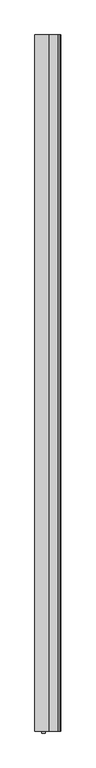
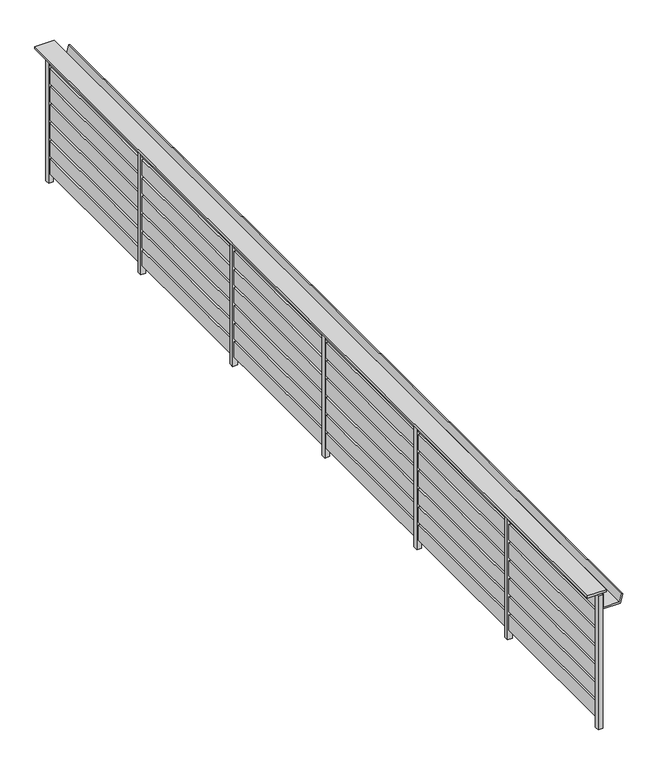
"""IFC4 building model written with IfcOpenShell, lengths in millimetres: railing geometry."""

import ifcopenshell
import ifcopenshell.guid

model = None  # the IFC model being written
_history = None  # IfcOwnerHistory: only IFC2X3 demands one
_inside = {}  # id of a spatial element -> (the spatial element, [elements in it])
_under = {}  # id of a project, library or spatial element -> (it, [spatial elements below it])
_declared = {}  # id of a project -> (the project, [libraries it declares])
_typed = {}  # id of a type object -> (the type object, [elements of that type])
_made_of = {}  # id of a material, layer set ... -> (it, [elements and type objects made of it])


def new_model(schema):
    """Start an empty IFC model of exactly this schema.

    Asked for "IFC4X3", IfcOpenShell would pick the latest addendum, in which some entities
    have other attributes; the version numbers below select the first issue.
    IFC2X3 requires an IfcOwnerHistory on every rooted entity: one is made here for all.
    """
    global model, _history
    if schema == "IFC4X3":
        model = ifcopenshell.file(schema_version=(4, 3, 0, 0))
    else:
        model = ifcopenshell.file(schema=schema)
    _inside.clear()
    _under.clear()
    _declared.clear()
    _typed.clear()
    _made_of.clear()
    _history = None
    if model.schema == "IFC2X3":
        org = make("IfcOrganization", Name="unknown")
        user = make(
            "IfcPersonAndOrganization",
            ThePerson=make("IfcPerson", FamilyName="unknown"),
            TheOrganization=org,
        )
        app = make(
            "IfcApplication",
            ApplicationDeveloper=org,
            Version="unknown",
            ApplicationFullName="unknown",
            ApplicationIdentifier="unknown",
        )
        _history = make(
            "IfcOwnerHistory",
            OwningUser=user,
            OwningApplication=app,
            ChangeAction="ADDED",
            CreationDate=0,
        )
    return model


def make(cls, **values):
    """One entity of the class cls with the attributes given. An attribute that is None is left unset."""
    return model.create_entity(
        cls, **{name: value for name, value in values.items() if value is not None}
    )


def rooted(cls, **values):
    """An entity with a GlobalId (a new one), such as an element, a storey or a relation."""
    return make(cls, GlobalId=ifcopenshell.guid.new(), OwnerHistory=_history, **values)


def si_unit(unit_type, name, prefix=None):
    """IfcSIUnit, for example si_unit("LENGTHUNIT", "METRE", prefix="MILLI")."""
    return make("IfcSIUnit", UnitType=unit_type, Prefix=prefix, Name=name)


def assignment(units):
    """IfcUnitAssignment: the units of a project."""
    return None if units is None else make("IfcUnitAssignment", Units=units)


def point(xyz):
    """IfcCartesianPoint."""
    return None if xyz is None else make("IfcCartesianPoint", Coordinates=xyz)


def direction(xyz):
    """IfcDirection."""
    return None if xyz is None else make("IfcDirection", DirectionRatios=xyz)


def frame(location, z_axis=None, x_axis=None):
    """IfcAxis2Placement3D, a coordinate frame: its origin and axes. An axis left out is left unset."""
    return make(
        "IfcAxis2Placement3D",
        Location=point(location),
        Axis=direction(z_axis),
        RefDirection=direction(x_axis),
    )


def origin():
    """The frame at (0, 0, 0) with its axes left unset."""
    return frame((0.0, 0.0, 0.0))


def origin_with_axes():
    """The frame at (0, 0, 0) with the z axis (0, 0, 1) and the x axis (1, 0, 0) written out."""
    return frame((0.0, 0.0, 0.0), z_axis=(0.0, 0.0, 1.0), x_axis=(1.0, 0.0, 0.0))


def place(relative_to, where):
    """IfcLocalPlacement: puts the frame where relative to a parent placement (None: the world)."""
    return make(
        "IfcLocalPlacement", PlacementRelTo=relative_to, RelativePlacement=where
    )


def context(
    kind, dimensions, precision=None, world=None, true_north=None, identifier=None
):
    """IfcGeometricRepresentationContext, for example the 3D "Model" context."""
    return make(
        "IfcGeometricRepresentationContext",
        ContextIdentifier=identifier,
        ContextType=kind,
        CoordinateSpaceDimension=dimensions,
        Precision=precision,
        WorldCoordinateSystem=world,
        TrueNorth=true_north,
    )


def project(units=None, contexts=None):
    """IfcProject with its units and contexts."""
    return rooted(
        "IfcProject",
        Name="project",
        RepresentationContexts=contexts,
        UnitsInContext=assignment(units),
    )


def spatial(cls, under=None, at=None, **own):
    """A site, building, storey or space (cls), placed at a placement, below another one or the project."""
    s = rooted(cls, ObjectPlacement=at, **own)
    if under is not None:
        _under.setdefault(under.id(), (under, []))[1].append(s)
    return s


def polyline(points):
    """IfcPolyline through the points."""
    return make("IfcPolyline", Points=[point(p) for p in points])


def outline(outer, holes=None, kind="AREA"):
    """IfcArbitraryClosedProfileDef: a profile drawn as a closed curve; with holes, ...WithVoids."""
    if holes is None:
        return make("IfcArbitraryClosedProfileDef", ProfileType=kind, OuterCurve=outer)
    return make(
        "IfcArbitraryProfileDefWithVoids",
        ProfileType=kind,
        OuterCurve=outer,
        InnerCurves=holes,
    )


def extrude(swept, where, along, depth):
    """IfcExtrudedAreaSolid: the profile swept, set in the frame where, extruded along a direction by depth."""
    return make(
        "IfcExtrudedAreaSolid",
        SweptArea=swept,
        Position=where,
        ExtrudedDirection=direction(along),
        Depth=depth,
    )


def shape(context_of_items, identifier, shape_type, items):
    """IfcShapeRepresentation: the items that make up one representation, for example the "Body"."""
    return make(
        "IfcShapeRepresentation",
        ContextOfItems=context_of_items,
        RepresentationIdentifier=identifier,
        RepresentationType=shape_type,
        Items=items,
    )


def source(mapping_origin, context_of_items, identifier, shape_type, items):
    """IfcRepresentationMap: a shape defined once, which mapped items show again and again."""
    return make(
        "IfcRepresentationMap",
        MappingOrigin=mapping_origin,
        MappedRepresentation=shape(context_of_items, identifier, shape_type, items),
    )


def transform(
    local_origin,
    x_axis=None,
    y_axis=None,
    z_axis=None,
    scale=None,
    scale2=None,
    scale3=None,
    uniform=True,
):
    """IfcCartesianTransformationOperator3D, or its non-uniform kind. x_axis, y_axis, z_axis: its Axis1, 2, 3."""
    if uniform:
        return make(
            "IfcCartesianTransformationOperator3D",
            Axis1=direction(x_axis),
            Axis2=direction(y_axis),
            LocalOrigin=point(local_origin),
            Scale=scale,
            Axis3=direction(z_axis),
        )
    return make(
        "IfcCartesianTransformationOperator3DnonUniform",
        Axis1=direction(x_axis),
        Axis2=direction(y_axis),
        LocalOrigin=point(local_origin),
        Scale=scale,
        Axis3=direction(z_axis),
        Scale2=scale2,
        Scale3=scale3,
    )


def mapped(mapping_source, mapping_target):
    """IfcMappedItem: shows the shape of a source again, moved by a transform."""
    return make(
        "IfcMappedItem", MappingSource=mapping_source, MappingTarget=mapping_target
    )


def made_of(thing, what):
    """Note that an element or type object is made of a material, layer set ...; save() writes the relation."""
    if what is not None:
        _made_of.setdefault(what.id(), (what, []))[1].append(thing)
    return thing


def element(
    cls,
    number,
    at=None,
    inside=None,
    cuts=None,
    type_object=None,
    material=None,
    context=None,
    identifier="Body",
    shape_type=None,
    held_by="IfcProductDefinitionShape",
    body=None,
    shapes=None,
    **own,
):
    """One element of the class cls, such as IfcWall. Its Tag is "e" and its number.

    at: its placement. inside: the storey or other place that contains it. cuts: it is an
    opening in that element (IfcRelVoidsElement). A single representation is given by context,
    identifier, shape_type and body (its items); several are given by shapes. held_by: the class
    of the entity that holds the representations. save() writes the other relations.
    """
    e = rooted(cls, Tag="e%d" % number, ObjectPlacement=at, **own)
    if body is not None:
        shapes = [shape(context, identifier, shape_type, body)]
    if shapes is not None:
        e.Representation = make(held_by, Representations=shapes)
    if inside is not None:
        _inside.setdefault(inside.id(), (inside, []))[1].append(e)
    if cuts is not None:
        rooted(
            "IfcRelVoidsElement", RelatingBuildingElement=cuts, RelatedOpeningElement=e
        )
    if type_object is not None:
        _typed.setdefault(type_object.id(), (type_object, []))[1].append(e)
    return made_of(e, material)


def aggregate(whole, parts):
    """IfcRelAggregates: a whole, such as a stair, and the parts it consists of."""
    return rooted("IfcRelAggregates", RelatingObject=whole, RelatedObjects=parts)


def save(model, path):
    """Write the relations noted so far, then the file.

    IfcRelAggregates (storeys below a building ...), IfcRelContainedInSpatialStructure (elements
    in a storey), IfcRelDefinesByType, IfcRelAssociatesMaterial and IfcRelDeclares: one each for
    every whole, place, type object, material and project.
    """
    for whole, parts in _under.values():
        aggregate(whole, parts)
    for where, things in _inside.values():
        rooted(
            "IfcRelContainedInSpatialStructure",
            RelatedElements=things,
            RelatingStructure=where,
        )
    for kind, things in _typed.values():
        rooted("IfcRelDefinesByType", RelatedObjects=things, RelatingType=kind)
    for what, things in _made_of.values():
        rooted("IfcRelAssociatesMaterial", RelatedObjects=things, RelatingMaterial=what)
    for by, libraries in _declared.values():
        rooted("IfcRelDeclares", RelatingContext=by, RelatedDefinitions=libraries)
    model.write(path)


def railing_3a7d278d(model_context):
    return source(origin(), model_context, "Body", "SweptSolid", [
        extrude(outline(polyline([(-2385.1265717, -25510.8033767), (-2505.1265717, -25510.8033767), (-2505.1265717, -19510.8033767), (-2385.1265717, -19510.8033767), (-2385.1265717, -25510.8033767)])), frame((0.0, 0.0, 884.8828423), z_axis=(0.0, 0.0, 1.0), x_axis=(1.0, 0.0, 0.0)), (0.0, 0.0, 1.0), 15.1171577),
        extrude(outline(polyline([(780.0, -2415.1265717), (780.0, -2297.9186479), (836.340031, -2282.8223821), (838.9282214, -2292.4816403), (790.0, -2305.5919177), (790.0, -2405.1265717), (880.0, -2405.1265717), (880.0, -2415.1265717), (780.0, -2415.1265717)])), frame((0.0, -25510.8033767, 0.0), z_axis=(0.0, 1.0, 0.0), x_axis=(0.0, 0.0, 1.0)), (0.0, 0.0, 1.0), 6000.0),
        extrude(outline(polyline([(-2422.6265717, -25510.8033767), (-2437.6265717, -25510.8033767), (-2437.6265717, -19510.8033767), (-2422.6265717, -19510.8033767), (-2422.6265717, -25510.8033767)])), frame((0.0, 0.0, 780.0), z_axis=(0.0, 0.0, 1.0), x_axis=(1.0, 0.0, 0.0)), (0.0, 0.0, 1.0), 100.0),
        extrude(outline(polyline([(-2422.6265717, -25510.8033767), (-2437.6265717, -25510.8033767), (-2437.6265717, -19510.8033767), (-2422.6265717, -19510.8033767), (-2422.6265717, -25510.8033767)])), frame((0.0, 0.0, 660.0), z_axis=(0.0, 0.0, 1.0), x_axis=(1.0, 0.0, 0.0)), (0.0, 0.0, 1.0), 100.0),
        extrude(outline(polyline([(-2422.6265717, -25510.8033767), (-2437.6265717, -25510.8033767), (-2437.6265717, -19510.8033767), (-2422.6265717, -19510.8033767), (-2422.6265717, -25510.8033767)])), frame((0.0, 0.0, 540.0), z_axis=(0.0, 0.0, 1.0), x_axis=(1.0, 0.0, 0.0)), (0.0, 0.0, 1.0), 100.0),
        extrude(outline(polyline([(-2422.6265717, -25510.8033767), (-2437.6265717, -25510.8033767), (-2437.6265717, -19510.8033767), (-2422.6265717, -19510.8033767), (-2422.6265717, -25510.8033767)])), frame((0.0, 0.0, 420.0), z_axis=(0.0, 0.0, 1.0), x_axis=(1.0, 0.0, 0.0)), (0.0, 0.0, 1.0), 100.0),
        extrude(outline(polyline([(-2422.6265717, -25510.8033767), (-2437.6265717, -25510.8033767), (-2437.6265717, -19510.8033767), (-2422.6265717, -19510.8033767), (-2422.6265717, -25510.8033767)])), frame((0.0, 0.0, 300.0), z_axis=(0.0, 0.0, 1.0), x_axis=(1.0, 0.0, 0.0)), (0.0, 0.0, 1.0), 100.0),
        extrude(outline(polyline([(-2422.6265717, -25510.8033767), (-2437.6265717, -25510.8033767), (-2437.6265717, -19510.8033767), (-2422.6265717, -19510.8033767), (-2422.6265717, -25510.8033767)])), frame((0.0, 0.0, 180.0), z_axis=(0.0, 0.0, 1.0), x_axis=(1.0, 0.0, 0.0)), (0.0, 0.0, 1.0), 100.0),
        extrude(outline(polyline([(-2422.6265717, -25510.8033767), (-2437.6265717, -25510.8033767), (-2437.6265717, -19510.8033767), (-2422.6265717, -19510.8033767), (-2422.6265717, -25510.8033767)])), frame((0.0, 0.0, 60.0), z_axis=(0.0, 0.0, 1.0), x_axis=(1.0, 0.0, 0.0)), (0.0, 0.0, 1.0), 100.0),
        extrude(outline(polyline([(-2415.1265717, -19555.8033767), (-2445.1265717, -19555.8033767), (-2445.1265717, -19525.8033767), (-2415.1265717, -19525.8033767), (-2415.1265717, -19555.8033767)])), origin_with_axes(), (0.0, 0.0, 1.0), 884.8828423),
        extrude(outline(polyline([(-2415.1265717, -20555.8033767), (-2445.1265717, -20555.8033767), (-2445.1265717, -20525.8033767), (-2415.1265717, -20525.8033767), (-2415.1265717, -20555.8033767)])), origin_with_axes(), (0.0, 0.0, 1.0), 884.8828423),
        extrude(outline(polyline([(-2415.1265717, -21555.8033767), (-2445.1265717, -21555.8033767), (-2445.1265717, -21525.8033767), (-2415.1265717, -21525.8033767), (-2415.1265717, -21555.8033767)])), origin_with_axes(), (0.0, 0.0, 1.0), 884.8828423),
        extrude(outline(polyline([(-2415.1265717, -22555.8033767), (-2445.1265717, -22555.8033767), (-2445.1265717, -22525.8033767), (-2415.1265717, -22525.8033767), (-2415.1265717, -22555.8033767)])), origin_with_axes(), (0.0, 0.0, 1.0), 884.8828423),
        extrude(outline(polyline([(-2415.1265717, -23555.8033767), (-2445.1265717, -23555.8033767), (-2445.1265717, -23525.8033767), (-2415.1265717, -23525.8033767), (-2415.1265717, -23555.8033767)])), origin_with_axes(), (0.0, 0.0, 1.0), 884.8828423),
        extrude(outline(polyline([(-2415.1265717, -24540.8033767), (-2445.1265717, -24540.8033767), (-2445.1265717, -24510.8033767), (-2415.1265717, -24510.8033767), (-2415.1265717, -24540.8033767)])), origin_with_axes(), (0.0, 0.0, 1.0), 884.8828423),
        extrude(outline(polyline([(-2415.1265717, -25525.8033767), (-2445.1265717, -25525.8033767), (-2445.1265717, -25495.8033767), (-2415.1265717, -25495.8033767), (-2415.1265717, -25525.8033767)])), origin_with_axes(), (0.0, 0.0, 1.0), 884.8828423),
    ])


if __name__ == "__main__":
    model = new_model("IFC4")
    model_context = context("Model", 3, world=origin())
    ifc_project = project(units=[si_unit("LENGTHUNIT", "METRE", prefix="MILLI")], contexts=[model_context])
    site = spatial("IfcSite", under=ifc_project)
    building = spatial("IfcBuilding", under=site)
    placement = place(None, origin())
    railing_shape = railing_3a7d278d(model_context)
    element("IfcRailing", 1, at=placement, inside=building, context=model_context, shape_type="MappedRepresentation", body=[
        mapped(railing_shape, transform((0.0, 0.0, 0.0), x_axis=(1.0, 0.0, 0.0), y_axis=(0.0, 1.0, 0.0), z_axis=(0.0, 0.0, 1.0))),
    ])
    save(model, "model.ifc")
